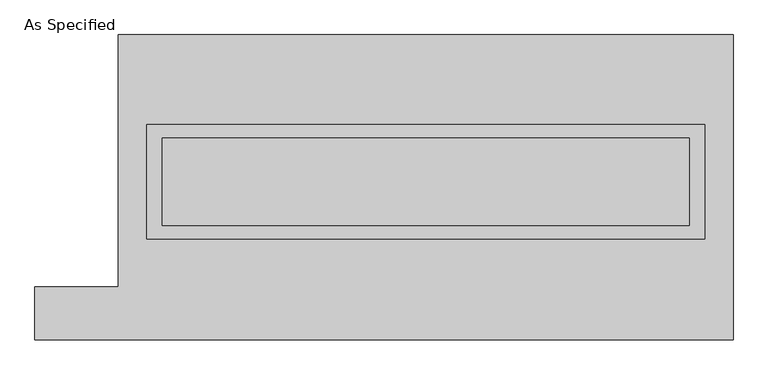
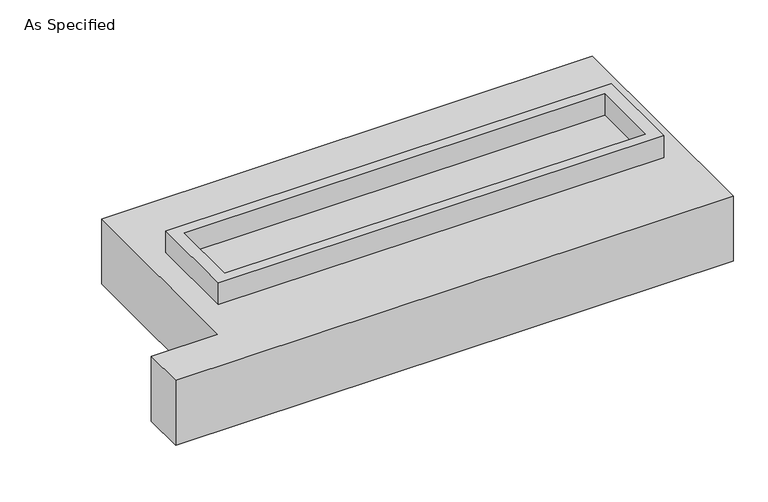
"""IFC4 building model written with IfcOpenShell, lengths in millimetres: proxy geometry, As Specified."""

from ifc_helpers import new_model, si_unit, frame, origin, place, context, project, spatial, polyline, outline, extrude, source, transform, mapped, element, save


def as_specified_d7bb1f5a(model_context):
    return source(origin(), model_context, "Body", "SweptSolid", [
        extrude(outline(polyline([(1612.9, 361.95), (1612.9, -298.45), (-1612.9, -298.45), (-1612.9, 361.95), (1612.9, 361.95)]), holes=[polyline([(1524.0, 285.75), (-1524.0, 285.75), (-1524.0, -222.25), (1524.0, -222.25), (1524.0, 285.75)])]), frame((0.0, 0.0, -688.975), z_axis=(0.0, 0.0, 1.0), x_axis=(1.0, 0.0, 0.0)), (0.0, 0.0, 1.0), 165.1),
        extrude(outline(polyline([(1612.9, 361.95), (1612.9, -298.45), (-1612.9, -298.45), (-1612.9, 361.95), (1612.9, 361.95)]), holes=[polyline([(1524.0, 285.75), (-1524.0, 285.75), (-1524.0, -222.25), (1524.0, -222.25), (1524.0, 285.75)])]), frame((0.0, 0.0, -25.4), z_axis=(0.0, 0.0, 1.0), x_axis=(1.0, 0.0, 0.0)), (0.0, 0.0, 1.0), 165.1),
        extrude(outline(polyline([(1524.0, 285.75), (1524.0, -222.25), (-1524.0, -222.25), (-1524.0, 285.75), (1524.0, 285.75)])), frame((0.0, 0.0, -523.875), z_axis=(0.0, 0.0, 1.0), x_axis=(1.0, 0.0, 0.0)), (0.0, 0.0, 1.0), 4.9609375),
        extrude(outline(polyline([(1524.0, 285.75), (1524.0, -222.25), (-1524.0, -222.25), (-1524.0, 285.75), (1524.0, 285.75)])), frame((0.0, 0.0, -30.3609375), z_axis=(0.0, 0.0, 1.0), x_axis=(1.0, 0.0, 0.0)), (0.0, 0.0, 1.0), 4.9609375),
        extrude(outline(polyline([(-1778.0, 882.65), (1778.0, 882.65), (1778.0, -882.65), (-2260.6, -882.65), (-2260.6, -577.85), (-1778.0, -577.85), (-1778.0, 882.65)]), holes=[polyline([(-1612.9, 361.95), (-1612.9, -298.45), (1612.9, -298.45), (1612.9, 361.95), (-1612.9, 361.95)])]), frame((0.0, 0.0, -523.875), z_axis=(0.0, 0.0, 1.0), x_axis=(1.0, 0.0, 0.0)), (0.0, 0.0, 1.0), 498.475),
    ])


if __name__ == "__main__":
    model = new_model("IFC4")
    model_context = context("Model", 3, world=origin())
    ifc_project = project(units=[si_unit("LENGTHUNIT", "METRE", prefix="MILLI")], contexts=[model_context])
    site = spatial("IfcSite", under=ifc_project)
    building = spatial("IfcBuilding", under=site)
    placement = place(None, origin())
    as_specified_shape = as_specified_d7bb1f5a(model_context)
    element("IfcBuildingElementProxy", 1, Name="As Specified", ObjectType="As Specified", at=placement, inside=building, context=model_context, shape_type="MappedRepresentation", body=[
        mapped(as_specified_shape, transform((0.0, 0.0, 0.0), x_axis=(1.0, 0.0, 0.0), y_axis=(0.0, 1.0, 0.0), z_axis=(0.0, 0.0, 1.0))),
    ])
    save(model, "model.ifc")
